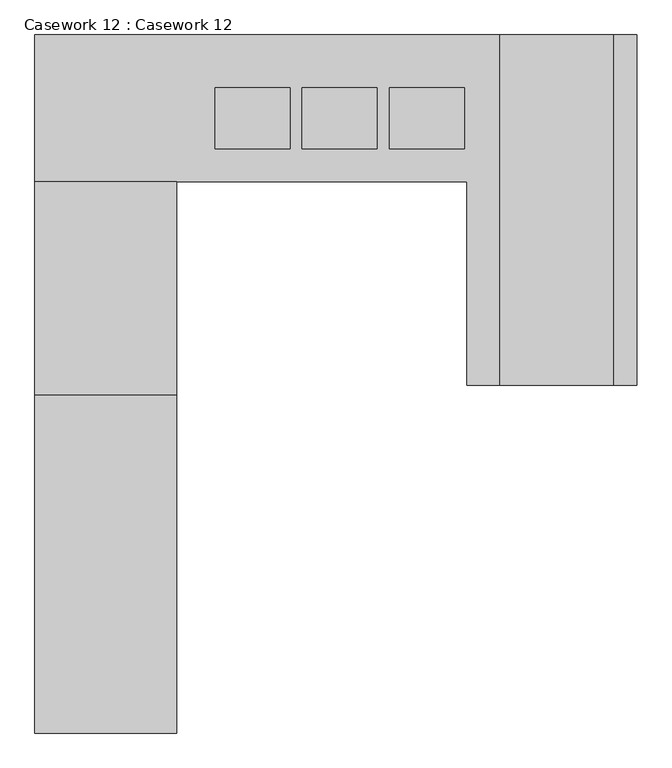
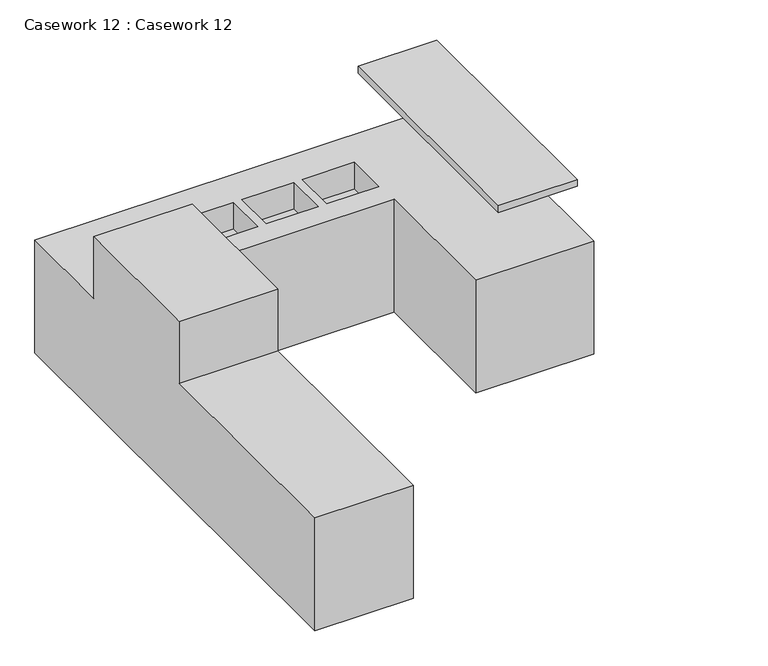
"""IFC4 building model written with IfcOpenShell, lengths in millimetres: furniture geometry, Casework 12 : Casework 12."""

from ifc_helpers import new_model, si_unit, frame, origin, place, context, project, spatial, polyline, outline, extrude, faceted_brep, source, transform, mapped, element, save


def casework_12_casework_12_4c1b5e83(model_context):
    return source(origin(), model_context, "Body", "SolidModel", [
        faceted_brep([(-21949.2939416, 21438.1489968, -13219.7625121), (-21058.0326236, 21438.1489968, -13219.7625121), (-21058.0326236, 23274.4821878, -13219.7625121), (-24217.0617975, 23274.4821878, -13219.7625121), (-24217.0617975, 22504.5353457, -13219.7625121), (-23473.2939416, 22504.5353457, -13219.7625121), (-21949.2939416, 22504.5353457, -13219.7625121), (-22420.5154479, 22997.4275889, -13219.7625121), (-22420.5154479, 22678.5821878, -13219.7625121), (-22814.0154479, 22678.5821878, -13219.7625121), (-22814.0154479, 22997.4275889, -13219.7625121), (-21963.5154479, 22997.4275889, -13219.7625121), (-21963.5154479, 22678.5821878, -13219.7625121), (-22357.0154479, 22678.5821878, -13219.7625121), (-22357.0154479, 22997.4275889, -13219.7625121), (-22877.5154479, 22997.4275889, -13219.7625121), (-22877.5154479, 22678.5821878, -13219.7625121), (-23271.0154479, 22678.5821878, -13219.7625121), (-23271.0154479, 22997.4275889, -13219.7625121), (-24217.0617975, 19613.4008493, -13219.7625121), (-23473.2939416, 19613.4008493, -13219.7625121), (-23473.2939416, 21386.4668694, -13219.7625121), (-24217.0617975, 21386.4668694, -13219.7625121), (-21949.2939416, 21438.1489968, -14122.4), (-21949.2939416, 22504.5353457, -14122.4), (-23473.2939416, 22504.5353457, -14122.4), (-23473.2939416, 19613.4008493, -14122.4), (-24217.0617975, 19613.4008493, -14122.4), (-24217.0617975, 23274.4821878, -14122.4), (-21058.0326236, 23274.4821878, -14122.4), (-21058.0326236, 21438.1489968, -14122.4), (-24217.0617975, 21386.4668694, -12725.2683482), (-24217.0617975, 22504.5353457, -12725.2683482), (-23473.2939416, 22504.5353457, -12725.2683482), (-23473.2939416, 21386.4668694, -12725.2683482), (-22420.5154479, 22678.5821878, -13432.2875121), (-22420.5154479, 22997.4275889, -13432.2875121), (-22814.0154479, 22997.4275889, -13432.2875121), (-22814.0154479, 22678.5821878, -13432.2875121), (-21963.5154479, 22678.5821878, -13432.2875121), (-21963.5154479, 22997.4275889, -13432.2875121), (-22357.0154479, 22997.4275889, -13432.2875121), (-22357.0154479, 22678.5821878, -13432.2875121), (-22877.5154479, 22678.5821878, -13432.2875121), (-22877.5154479, 22997.4275889, -13432.2875121), (-23271.0154479, 22997.4275889, -13432.2875121), (-23271.0154479, 22678.5821878, -13432.2875121)], [[[0, 1, 2, 3, 4, 5, 6], [7, 8, 9, 10], [11, 12, 13, 14], [15, 16, 17, 18]], [[19, 20, 21, 22]], [[23, 24, 25, 26, 27, 28, 29, 30]], [[1, 0, 23, 30]], [[2, 1, 30, 29]], [[3, 2, 29, 28]], [[28, 27, 19, 22, 31, 32, 4, 3]], [[6, 5, 25, 24]], [[0, 6, 24, 23]], [[20, 19, 27, 26]], [[26, 25, 5, 33, 34, 21, 20]], [[32, 31, 34, 33]], [[22, 21, 34, 31]], [[5, 4, 32, 33]], [[35, 36, 37, 38]], [[36, 35, 8, 7]], [[37, 36, 7, 10]], [[38, 37, 10, 9]], [[35, 38, 9, 8]], [[39, 40, 41, 42]], [[40, 39, 12, 11]], [[41, 40, 11, 14]], [[42, 41, 14, 13]], [[39, 42, 13, 12]], [[43, 44, 45, 46]], [[44, 43, 16, 15]], [[45, 44, 15, 18]], [[46, 45, 18, 17]], [[43, 46, 17, 16]]]),
        extrude(outline(polyline([(-21776.5424716, 21438.1489968), (-21776.5424716, 23274.4821878), (-21181.7617975, 23274.4821878), (-21181.7617975, 21438.1489968), (-21776.5424716, 21438.1489968)])), frame((0.0, 0.0, -12739.2564811), z_axis=(0.0, 0.0, 1.0), x_axis=(1.0, 0.0, 0.0)), (0.0, 0.0, 1.0), 52.8939691),
    ])


if __name__ == "__main__":
    model = new_model("IFC4")
    model_context = context("Model", 3, world=origin())
    ifc_project = project(units=[si_unit("LENGTHUNIT", "METRE", prefix="MILLI")], contexts=[model_context])
    site = spatial("IfcSite", under=ifc_project)
    building = spatial("IfcBuilding", under=site)
    placement = place(None, origin())
    casework_12_casework_12_shape = casework_12_casework_12_4c1b5e83(model_context)
    element("IfcFurniture", 1, ObjectType="Casework 12 : Casework 12", at=placement, inside=building, context=model_context, shape_type="MappedRepresentation", body=[
        mapped(casework_12_casework_12_shape, transform((0.0, 0.0, 0.0), x_axis=(1.0, 0.0, 0.0), y_axis=(0.0, 1.0, 0.0), z_axis=(0.0, 0.0, 1.0))),
    ])
    save(model, "model.ifc")
